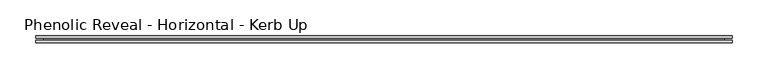
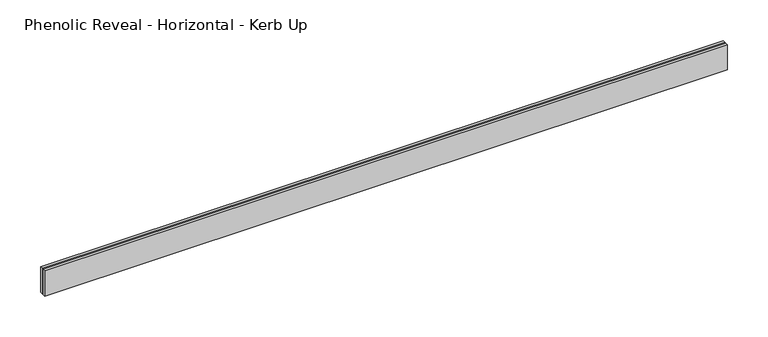
"""IFC4 building model written with IfcOpenShell, lengths in millimetres: proxy geometry, Phenolic Reveal - Horizontal - Kerb Up."""

from ifc_helpers import new_model, si_unit, origin, place, context, project, spatial, faceted_brep, source, transform, mapped, element, save


def phenolic_reveal_horizontal_kerb_up_ce1034a4(model_context):
    return source(origin(), model_context, "Body", "Brep", [
        faceted_brep([(968.375, 9.525, 0.0), (968.375, 9.525, 38.1), (968.375, 6.0765851, 38.1), (968.375, 6.0765851, 0.0), (968.375, 3.3757545, 0.0), (968.375, 3.3757545, 38.1), (968.375, 0.0, 38.1), (968.375, 0.0, 0.0), (0.0, 0.0, 0.0), (0.0, 0.0, 38.1), (0.0, 3.3757545, 38.1), (0.0, 3.3757545, 0.0), (0.0, 6.0765851, 0.0), (0.0, 6.0765851, 38.1), (0.0, 9.525, 38.1), (0.0, 9.525, 0.0), (957.2625, 6.0765851, 0.0), (957.2625, 3.3757545, 0.0), (11.1125, 3.3757545, 0.0), (11.1125, 6.0765851, 0.0), (957.2625, 6.0765851, 26.9875), (957.2625, 3.3757545, 26.9875), (11.1125, 6.0765851, 26.9875), (11.1125, 3.3757545, 26.9875)], [[[0, 1, 2, 3]], [[4, 5, 6, 7]], [[8, 9, 10, 11]], [[12, 13, 14, 15]], [[1, 0, 15, 14]], [[6, 5, 10, 9]], [[7, 6, 9, 8]], [[15, 0, 3, 16, 17, 4, 7, 8, 11, 18, 19, 12]], [[16, 20, 21, 17]], [[22, 19, 18, 23]], [[13, 2, 1, 14]], [[12, 19, 22, 20, 16, 3, 2, 13]], [[20, 22, 23, 21]], [[4, 17, 21, 23, 18, 11, 10, 5]]]),
    ])


if __name__ == "__main__":
    model = new_model("IFC4")
    model_context = context("Model", 3, world=origin())
    ifc_project = project(units=[si_unit("LENGTHUNIT", "METRE", prefix="MILLI")], contexts=[model_context])
    site = spatial("IfcSite", under=ifc_project)
    building = spatial("IfcBuilding", under=site)
    placement = place(None, origin())
    phenolic_reveal_horizontal_kerb_up_shape = phenolic_reveal_horizontal_kerb_up_ce1034a4(model_context)
    element("IfcBuildingElementProxy", 1, Name="Phenolic Reveal - Horizontal - Kerb Up", ObjectType="Phenolic Reveal - Horizontal - Kerb Up", at=placement, inside=building, context=model_context, shape_type="MappedRepresentation", body=[
        mapped(phenolic_reveal_horizontal_kerb_up_shape, transform((0.0, 0.0, 0.0), x_axis=(1.0, 0.0, 0.0), y_axis=(0.0, 1.0, 0.0), z_axis=(0.0, 0.0, 1.0))),
    ])
    save(model, "model.ifc")
